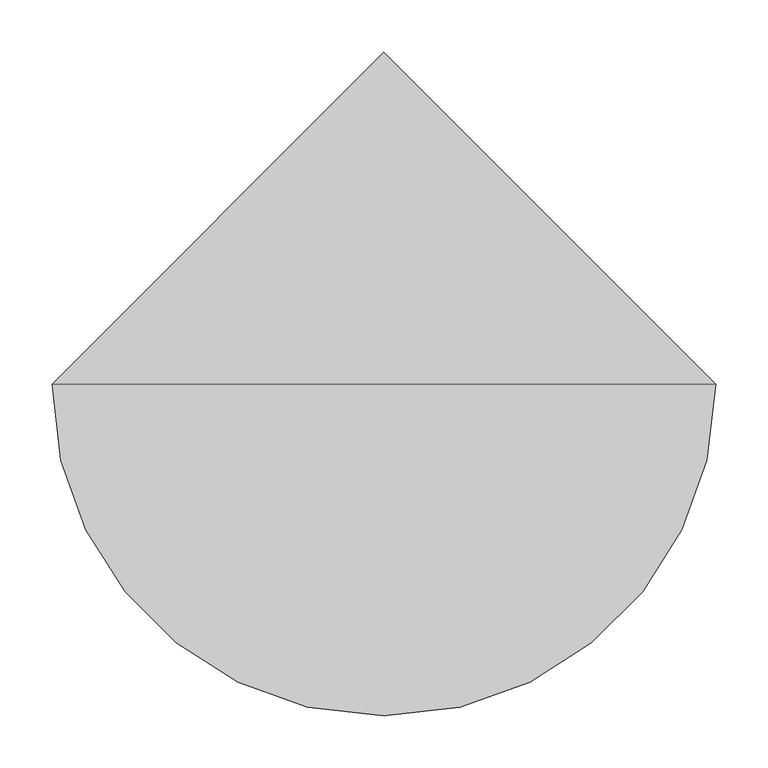
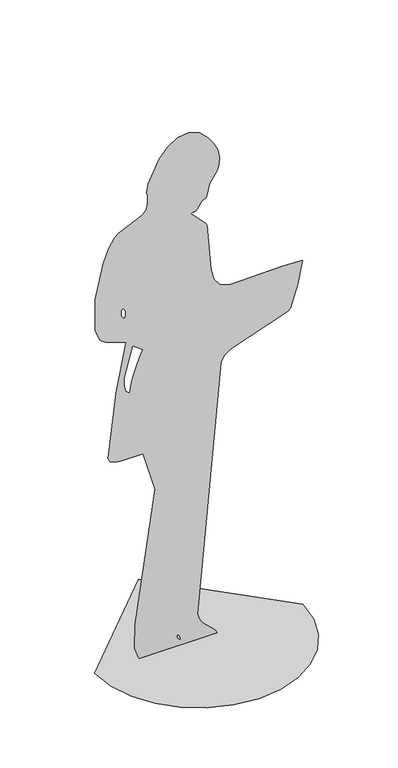
"""IFC4 building model written with IfcOpenShell, lengths in millimetres: proxy geometry."""

from ifc_helpers import new_model, si_unit, origin, place, context, project, spatial, triangles, source, transform, mapped, element, save


def entourage_eec1953a(model_context):
    return source(origin(), model_context, "Body", "Tessellation", [
        triangles([(-318.6546412, 0.0, 4.24e-05), (-310.2304461, -73.0145794, 4.24e-05), (-286.2384695, -140.0667866, 4.24e-05), (-248.599724, -199.2354951, 4.24e-05), (-199.2355315, -248.5997785, 4.24e-05), (-140.0667503, -286.2383968, 4.24e-05), (-73.0145431, -310.2304461, 4.24e-05), (1.39e-05, -318.6546412, 4.24e-05), (73.014584, -310.2304461, 4.24e-05), (140.0667957, -286.2384513, 4.24e-05), (199.2355315, -248.599724, 4.24e-05), (248.599833, -199.2355315, 4.24e-05), (286.2384331, -140.0667321, 4.24e-05), (310.2304461, -73.0145295, 4.24e-05), (318.6546412, 2.79e-05, 4.24e-05), (-4.18e-05, 318.6546412, 4.24e-05), (-236.0833913, 0.0026468, 1148.558963), (-237.9069537, 0.0026105, 1144.015563), (-238.9087821, 0.002563, 1138.0610573), (-238.7653679, 0.0025116, 1131.6320166), (-237.1534023, 0.002464, 1125.6650843), (-233.7491951, 0.0024275, 1121.0966858), (-228.2293649, 0.0024096, 1118.8633192), (-225.2501318, 0.002423, 1120.5370543), (-223.889677, 0.0024609, 1125.2760818), (-225.1557698, 0.0025697, 1138.8987968), (-227.3475873, 0.0026205, 1145.257275), (-230.2886324, 0.0026554, 1149.6302639), (-233.7615854, 0.0026644, 1150.7548319), (-228.8640646, 0.0008634, 925.2704121), (-229.6933199, 0.0006601, 899.8157158), (-224.5596035, 0.0005033, 880.1774523), (-211.6327944, 0.0004187, 869.5889997), (-209.6238145, 0.0005698, 888.5113186), (-204.3871429, 0.0007466, 910.6401278), (-197.1083176, 0.0009324, 933.9116724), (-188.9727495, 0.001111, 956.2624884), (-181.1659404, 0.0012656, 975.6290388), (-174.8732831, 0.00138, 989.9477142), (-171.2802974, 0.0014376, 997.1549778), (-202.5209051, 0.0016247, 1020.5855244), (-66.9848875, -0.00625, 34.6527972), (-67.3190922, -0.0062754, 31.469341), (-66.097746, -0.0063066, 27.5659296), (-61.2032591, -0.0063666, 20.0446749), (-58.6375727, -0.0063858, 17.6494632), (-56.7312301, -0.0063911, 16.9795595), (-55.5294548, -0.0063793, 18.4546012), (-55.6450274, -0.0063551, 21.494868), (-58.5205831, -0.0062906, 29.5655441), (-60.6267682, -0.0062612, 33.2437194), (-62.7426773, -0.0062409, 35.7822068), (-64.5413866, -0.0062352, 36.5050256), (-196.6624327, -0.0062164, 38.8580478), (-195.4353274, -0.0056161, 114.0141163), (-133.7753737, -0.0022844, 531.1486113), (-171.4024012, -0.0012522, 660.3822927), (-241.8532426, -0.0012538, 660.1860111), (-258.8309672, -0.0012294, 663.2410572), (-271.6694278, -0.0011781, 669.6640663), (-278.4260829, -0.0010914, 680.5179823), (-253.9348271, 0.0005466, 885.5981243), (-223.2260548, 0.0017758, 1039.5007215), (-285.4057623, 0.0019435, 1060.4983498), (-295.9894549, 0.0019962, 1067.1020891), (-303.7276272, 0.0020581, 1074.8495813), (-317.3083571, 0.0023326, 1109.216815), (-317.9938531, 0.0031331, 1209.4468163), (-294.0421174, 0.0039902, 1316.7470982), (-276.8262169, 0.0043352, 1359.9520191), (-258.2498254, 0.0045689, 1389.2088089), (-246.2577885, 0.0046489, 1399.2221512), (-174.1937279, 0.0049131, 1432.3041435), (-163.3074011, 0.0050062, 1443.9612808), (-160.4359739, 0.0050518, 1449.6657291), (-158.1679619, 0.0051123, 1457.2401215), (-156.6087002, 0.005182, 1465.9743267), (-157.2363145, 0.0053902, 1492.0348), (-159.5650423, 0.0054403, 1498.3070915), (-154.8378236, 0.005668, 1526.8147991), (-121.2816596, 0.0062128, 1595.0293854), (-95.2936565, 0.0064508, 1624.8232063), (-65.0597234, 0.006613, 1645.1322865), (-32.0003042, 0.0066598, 1650.9999516), (2.4641009, 0.0065518, 1637.4696728), (28.9675133, 0.0063504, 1612.2562408), (47.2368333, 0.0061453, 1586.5784477), (58.1910338, 0.0059436, 1561.3234486), (62.7490996, 0.0057523, 1537.3776718), (61.8300559, 0.0055786, 1515.628854), (56.3528421, 0.0054295, 1496.9628422), (33.2519629, 0.00515, 1461.9600368), (23.0950338, 0.0048403, 1423.1935078), (21.6612959, 0.0048225, 1420.9625393), (20.9385475, 0.0048135, 1419.837608), (20.4209578, 0.0048099, 1419.3760082), (19.6026779, 0.0048079, 1419.1341625), (17.9778861, 0.0048042, 1418.66922), (15.0407301, 0.0047952, 1417.5374577), (10.2853756, 0.0047773, 1415.29617), (-5.5296696, 0.0046024, 1393.3976521), (-9.1305825, 0.0045775, 1390.2891209), (-13.8403003, 0.004562, 1388.3415653), (-20.283791, 0.0045566, 1387.6631184), (-23.1512508, 0.0045397, 1385.5520554), (-19.3121706, 0.0044929, 1379.6925293), (20.1347857, 0.0041698, 1339.2351151), (25.2754739, 0.0040959, 1329.9816101), (37.754427, 0.0029161, 1182.2670073), (47.1253257, 0.0026493, 1148.8678104), (64.8741969, 0.0024555, 1124.6021404), (93.9398238, 0.0023655, 1113.3310987), (255.9273836, 0.0024004, 1117.7093199), (313.4802841, 0.002378, 1114.9065113), (317.0350453, 0.0023681, 1113.6601484), (317.6680736, 0.0023643, 1113.1853228), (317.9938531, 0.0023603, 1112.6802664), (303.9522138, 0.0018153, 1044.4499107), (280.7535753, 0.001235, 971.7927177), (273.2481468, 0.0011828, 965.2635378), (98.5042527, 0.0007078, 905.7858456), (77.1590167, 0.0005851, 890.419923), (68.2313639, 0.0004395, 872.1924746), (-3.3617688, -0.0058615, 83.2844876), (-0.0366878, -0.0059949, 66.5920154), (8.0270031, -0.0061069, 52.5658912), (19.02897, -0.0062027, 40.5652111), (42.6463658, -0.0063664, 20.0769404), (51.6611136, -0.0064444, 10.307415), (56.4127676, -0.0065267, 0.0), (-183.26167, -0.0065267, 0.0)], [[15, 16, 1], [14, 15, 1], [14, 1, 2], [13, 14, 2], [13, 2, 3], [13, 3, 4], [12, 13, 4], [11, 12, 4], [11, 4, 5], [11, 5, 6], [11, 6, 7], [11, 7, 8], [11, 8, 9], [11, 9, 10], [33, 56, 57], [39, 40, 53], [38, 39, 53], [37, 38, 53], [129, 130, 131], [128, 129, 131], [22, 23, 63], [33, 57, 58], [33, 58, 59], [33, 59, 60], [33, 60, 61], [33, 61, 62], [32, 33, 62], [31, 32, 62], [30, 31, 62], [41, 30, 62], [41, 62, 63], [22, 63, 64], [22, 64, 65], [22, 65, 66], [22, 66, 67], [21, 22, 67], [20, 21, 67], [19, 20, 67], [18, 19, 67], [18, 67, 68], [17, 18, 68], [29, 17, 68], [63, 23, 24], [52, 53, 40], [37, 53, 42], [29, 68, 69], [28, 29, 69], [41, 63, 24], [115, 116, 117], [114, 115, 117], [114, 117, 118], [113, 114, 118], [113, 118, 119], [113, 119, 120], [112, 113, 120], [112, 120, 121], [111, 112, 121], [111, 121, 122], [28, 69, 70], [28, 70, 71], [28, 71, 72], [28, 72, 73], [27, 28, 73], [40, 41, 24], [40, 24, 25], [51, 52, 40], [110, 111, 122], [110, 122, 123], [27, 73, 74], [83, 84, 85], [82, 83, 85], [82, 85, 86], [81, 82, 86], [81, 86, 87], [81, 87, 88], [81, 88, 89], [81, 89, 90], [81, 90, 91], [80, 81, 91], [80, 91, 92], [79, 80, 92], [78, 79, 92], [77, 78, 92], [77, 92, 93], [77, 93, 94], [77, 94, 95], [77, 95, 96], [77, 96, 97], [77, 97, 98], [77, 98, 99], [77, 99, 100], [76, 77, 100], [76, 100, 101], [76, 101, 102], [76, 102, 103], [76, 103, 104], [76, 104, 105], [75, 76, 105], [74, 75, 105], [27, 74, 105], [27, 105, 106], [27, 106, 107], [27, 107, 108], [27, 108, 109], [26, 27, 109], [25, 26, 109], [25, 109, 110], [25, 110, 123], [40, 25, 123], [51, 40, 123], [51, 123, 124], [51, 124, 125], [50, 51, 125], [50, 125, 126], [49, 50, 126], [49, 126, 127], [48, 49, 127], [48, 127, 128], [47, 48, 128], [47, 128, 131], [46, 47, 131], [45, 46, 131], [44, 45, 131], [43, 44, 131], [43, 131, 54], [43, 54, 55], [42, 43, 55], [56, 33, 34], [56, 34, 35], [56, 35, 36], [56, 36, 37], [56, 37, 42], [56, 42, 55]], closed=False),
    ])


if __name__ == "__main__":
    model = new_model("IFC4")
    model_context = context("Model", 3, world=origin())
    ifc_project = project(units=[si_unit("LENGTHUNIT", "METRE", prefix="MILLI")], contexts=[model_context])
    site = spatial("IfcSite", under=ifc_project)
    building = spatial("IfcBuilding", under=site)
    placement = place(None, origin())
    entourage_shape = entourage_eec1953a(model_context)
    element("IfcBuildingElementProxy", 1, Name="Entourage", at=placement, inside=building, context=model_context, shape_type="MappedRepresentation", body=[
        mapped(entourage_shape, transform((0.0, 0.0, 0.0), x_axis=(1.0, 0.0, 0.0), y_axis=(0.0, 1.0, 0.0), z_axis=(0.0, 0.0, 1.0))),
    ])
    save(model, "model.ifc")
